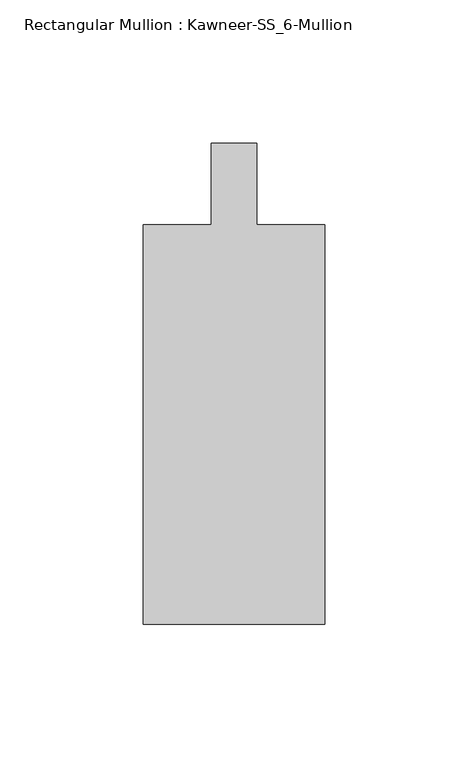
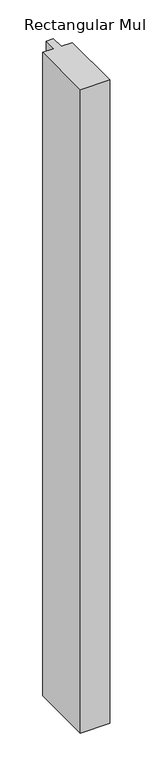
"""IFC4 building model written with IfcOpenShell, lengths in millimetres: member geometry, Rectangular Mullion : Kawneer-SS_6-Mullion."""

from ifc_helpers import new_model, si_unit, frame, origin, place, context, project, spatial, polyline, outline, extrude, source, transform, mapped, element, save


def rectangular_mullion_kawneer_ss_6_mullion_21d73c0f(model_context):
    return source(origin(), model_context, "Body", "SweptSolid", [
        extrude(outline(polyline([(-31.75, -153.9875), (-31.75, -14.2875), (-7.9375, -14.2875), (-7.9375, 14.2875), (7.9375, 14.2875), (7.9375, -14.2875), (31.75, -14.2875), (31.75, -153.9875), (-31.75, -153.9875)])), frame((0.0, 0.0, -1460.5), z_axis=(0.0, 0.0, 1.0), x_axis=(1.0, 0.0, 0.0)), (0.0, 0.0, 1.0), 1460.5),
    ])


if __name__ == "__main__":
    model = new_model("IFC4")
    model_context = context("Model", 3, world=origin())
    ifc_project = project(units=[si_unit("LENGTHUNIT", "METRE", prefix="MILLI")], contexts=[model_context])
    site = spatial("IfcSite", under=ifc_project)
    building = spatial("IfcBuilding", under=site)
    placement = place(None, origin())
    rectangular_mullion_kawneer_ss_6_mullion_shape = rectangular_mullion_kawneer_ss_6_mullion_21d73c0f(model_context)
    element("IfcMember", 1, ObjectType="Rectangular Mullion : Kawneer-SS_6-Mullion", at=placement, inside=building, context=model_context, shape_type="MappedRepresentation", body=[
        mapped(rectangular_mullion_kawneer_ss_6_mullion_shape, transform((0.0, 0.0, 0.0), x_axis=(1.0, 0.0, 0.0), y_axis=(0.0, 1.0, 0.0), z_axis=(0.0, 0.0, 1.0))),
    ])
    save(model, "model.ifc")
